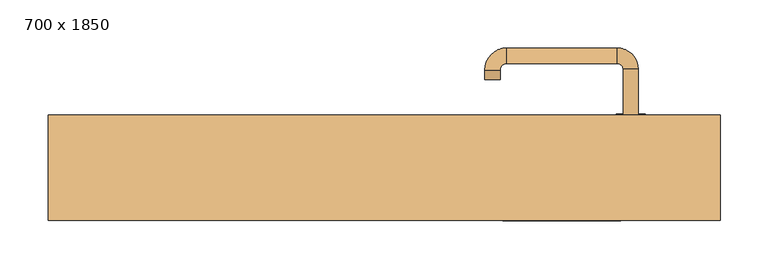
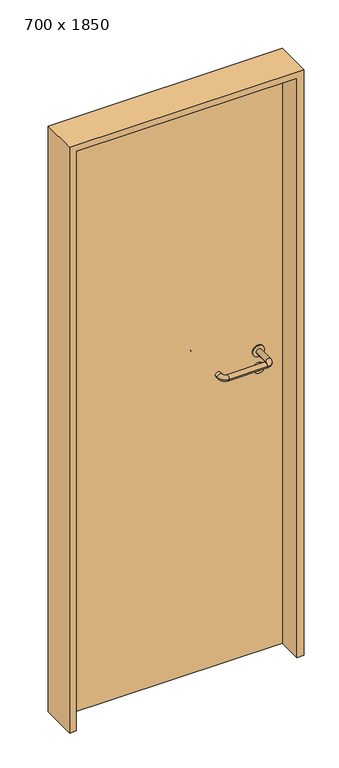
"""IFC4 building model written with IfcOpenShell, lengths in millimetres: door geometry, 700 x 1850."""

import ifcopenshell
import ifcopenshell.guid

model = None  # the IFC model being written
_history = None  # IfcOwnerHistory: only IFC2X3 demands one
_inside = {}  # id of a spatial element -> (the spatial element, [elements in it])
_under = {}  # id of a project, library or spatial element -> (it, [spatial elements below it])
_declared = {}  # id of a project -> (the project, [libraries it declares])
_typed = {}  # id of a type object -> (the type object, [elements of that type])
_made_of = {}  # id of a material, layer set ... -> (it, [elements and type objects made of it])


def new_model(schema):
    """Start an empty IFC model of exactly this schema.

    Asked for "IFC4X3", IfcOpenShell would pick the latest addendum, in which some entities
    have other attributes; the version numbers below select the first issue.
    IFC2X3 requires an IfcOwnerHistory on every rooted entity: one is made here for all.
    """
    global model, _history
    if schema == "IFC4X3":
        model = ifcopenshell.file(schema_version=(4, 3, 0, 0))
    else:
        model = ifcopenshell.file(schema=schema)
    _inside.clear()
    _under.clear()
    _declared.clear()
    _typed.clear()
    _made_of.clear()
    _history = None
    if model.schema == "IFC2X3":
        org = make("IfcOrganization", Name="unknown")
        user = make(
            "IfcPersonAndOrganization",
            ThePerson=make("IfcPerson", FamilyName="unknown"),
            TheOrganization=org,
        )
        app = make(
            "IfcApplication",
            ApplicationDeveloper=org,
            Version="unknown",
            ApplicationFullName="unknown",
            ApplicationIdentifier="unknown",
        )
        _history = make(
            "IfcOwnerHistory",
            OwningUser=user,
            OwningApplication=app,
            ChangeAction="ADDED",
            CreationDate=0,
        )
    return model


def make(cls, **values):
    """One entity of the class cls with the attributes given. An attribute that is None is left unset."""
    return model.create_entity(
        cls, **{name: value for name, value in values.items() if value is not None}
    )


def rooted(cls, **values):
    """An entity with a GlobalId (a new one), such as an element, a storey or a relation."""
    return make(cls, GlobalId=ifcopenshell.guid.new(), OwnerHistory=_history, **values)


def si_unit(unit_type, name, prefix=None):
    """IfcSIUnit, for example si_unit("LENGTHUNIT", "METRE", prefix="MILLI")."""
    return make("IfcSIUnit", UnitType=unit_type, Prefix=prefix, Name=name)


def assignment(units):
    """IfcUnitAssignment: the units of a project."""
    return None if units is None else make("IfcUnitAssignment", Units=units)


def point(xyz):
    """IfcCartesianPoint."""
    return None if xyz is None else make("IfcCartesianPoint", Coordinates=xyz)


def direction(xyz):
    """IfcDirection."""
    return None if xyz is None else make("IfcDirection", DirectionRatios=xyz)


def frame(location, z_axis=None, x_axis=None):
    """IfcAxis2Placement3D, a coordinate frame: its origin and axes. An axis left out is left unset."""
    return make(
        "IfcAxis2Placement3D",
        Location=point(location),
        Axis=direction(z_axis),
        RefDirection=direction(x_axis),
    )


def frame_2d(location, x_axis=None):
    """IfcAxis2Placement2D, a coordinate frame in the plane: its origin and x axis."""
    return make(
        "IfcAxis2Placement2D", Location=point(location), RefDirection=direction(x_axis)
    )


def origin():
    """The frame at (0, 0, 0) with its axes left unset."""
    return frame((0.0, 0.0, 0.0))


def origin_with_axes():
    """The frame at (0, 0, 0) with the z axis (0, 0, 1) and the x axis (1, 0, 0) written out."""
    return frame((0.0, 0.0, 0.0), z_axis=(0.0, 0.0, 1.0), x_axis=(1.0, 0.0, 0.0))


def place(relative_to, where):
    """IfcLocalPlacement: puts the frame where relative to a parent placement (None: the world)."""
    return make(
        "IfcLocalPlacement", PlacementRelTo=relative_to, RelativePlacement=where
    )


def context(
    kind, dimensions, precision=None, world=None, true_north=None, identifier=None
):
    """IfcGeometricRepresentationContext, for example the 3D "Model" context."""
    return make(
        "IfcGeometricRepresentationContext",
        ContextIdentifier=identifier,
        ContextType=kind,
        CoordinateSpaceDimension=dimensions,
        Precision=precision,
        WorldCoordinateSystem=world,
        TrueNorth=true_north,
    )


def project(units=None, contexts=None):
    """IfcProject with its units and contexts."""
    return rooted(
        "IfcProject",
        Name="project",
        RepresentationContexts=contexts,
        UnitsInContext=assignment(units),
    )


def spatial(cls, under=None, at=None, **own):
    """A site, building, storey or space (cls), placed at a placement, below another one or the project."""
    s = rooted(cls, ObjectPlacement=at, **own)
    if under is not None:
        _under.setdefault(under.id(), (under, []))[1].append(s)
    return s


def polyline(points):
    """IfcPolyline through the points."""
    return make("IfcPolyline", Points=[point(p) for p in points])


def circle_curve(where, radius):
    """IfcCircle in the frame where."""
    return make("IfcCircle", Position=where, Radius=radius)


def ellipse_curve(where, semi_axis1, semi_axis2):
    """IfcEllipse in the frame where."""
    return make(
        "IfcEllipse", Position=where, SemiAxis1=semi_axis1, SemiAxis2=semi_axis2
    )


def trimmed(basis, trim1, trim2, sense, master):
    """IfcTrimmedCurve: the piece of a basis curve between two trims."""
    return make(
        "IfcTrimmedCurve",
        BasisCurve=basis,
        Trim1=trim1,
        Trim2=trim2,
        SenseAgreement=sense,
        MasterRepresentation=master,
    )


def segment(curve, same_sense, transition):
    """IfcCompositeCurveSegment."""
    return make(
        "IfcCompositeCurveSegment",
        Transition=transition,
        SameSense=same_sense,
        ParentCurve=curve,
    )


def composite_curve(segments, self_intersect=None):
    """IfcCompositeCurve: segments joined end to end."""
    return make("IfcCompositeCurve", Segments=segments, SelfIntersect=self_intersect)


def outline(outer, holes=None, kind="AREA"):
    """IfcArbitraryClosedProfileDef: a profile drawn as a closed curve; with holes, ...WithVoids."""
    if holes is None:
        return make("IfcArbitraryClosedProfileDef", ProfileType=kind, OuterCurve=outer)
    return make(
        "IfcArbitraryProfileDefWithVoids",
        ProfileType=kind,
        OuterCurve=outer,
        InnerCurves=holes,
    )


def extrude(swept, where, along, depth):
    """IfcExtrudedAreaSolid: the profile swept, set in the frame where, extruded along a direction by depth."""
    return make(
        "IfcExtrudedAreaSolid",
        SweptArea=swept,
        Position=where,
        ExtrudedDirection=direction(along),
        Depth=depth,
    )


def shape(context_of_items, identifier, shape_type, items):
    """IfcShapeRepresentation: the items that make up one representation, for example the "Body"."""
    return make(
        "IfcShapeRepresentation",
        ContextOfItems=context_of_items,
        RepresentationIdentifier=identifier,
        RepresentationType=shape_type,
        Items=items,
    )


def source(mapping_origin, context_of_items, identifier, shape_type, items):
    """IfcRepresentationMap: a shape defined once, which mapped items show again and again."""
    return make(
        "IfcRepresentationMap",
        MappingOrigin=mapping_origin,
        MappedRepresentation=shape(context_of_items, identifier, shape_type, items),
    )


def transform(
    local_origin,
    x_axis=None,
    y_axis=None,
    z_axis=None,
    scale=None,
    scale2=None,
    scale3=None,
    uniform=True,
):
    """IfcCartesianTransformationOperator3D, or its non-uniform kind. x_axis, y_axis, z_axis: its Axis1, 2, 3."""
    if uniform:
        return make(
            "IfcCartesianTransformationOperator3D",
            Axis1=direction(x_axis),
            Axis2=direction(y_axis),
            LocalOrigin=point(local_origin),
            Scale=scale,
            Axis3=direction(z_axis),
        )
    return make(
        "IfcCartesianTransformationOperator3DnonUniform",
        Axis1=direction(x_axis),
        Axis2=direction(y_axis),
        LocalOrigin=point(local_origin),
        Scale=scale,
        Axis3=direction(z_axis),
        Scale2=scale2,
        Scale3=scale3,
    )


def mapped(mapping_source, mapping_target):
    """IfcMappedItem: shows the shape of a source again, moved by a transform."""
    return make(
        "IfcMappedItem", MappingSource=mapping_source, MappingTarget=mapping_target
    )


def made_of(thing, what):
    """Note that an element or type object is made of a material, layer set ...; save() writes the relation."""
    if what is not None:
        _made_of.setdefault(what.id(), (what, []))[1].append(thing)
    return thing


def element(
    cls,
    number,
    at=None,
    inside=None,
    cuts=None,
    type_object=None,
    material=None,
    context=None,
    identifier="Body",
    shape_type=None,
    held_by="IfcProductDefinitionShape",
    body=None,
    shapes=None,
    **own,
):
    """One element of the class cls, such as IfcWall. Its Tag is "e" and its number.

    at: its placement. inside: the storey or other place that contains it. cuts: it is an
    opening in that element (IfcRelVoidsElement). A single representation is given by context,
    identifier, shape_type and body (its items); several are given by shapes. held_by: the class
    of the entity that holds the representations. save() writes the other relations.
    """
    e = rooted(cls, Tag="e%d" % number, ObjectPlacement=at, **own)
    if body is not None:
        shapes = [shape(context, identifier, shape_type, body)]
    if shapes is not None:
        e.Representation = make(held_by, Representations=shapes)
    if inside is not None:
        _inside.setdefault(inside.id(), (inside, []))[1].append(e)
    if cuts is not None:
        rooted(
            "IfcRelVoidsElement", RelatingBuildingElement=cuts, RelatedOpeningElement=e
        )
    if type_object is not None:
        _typed.setdefault(type_object.id(), (type_object, []))[1].append(e)
    return made_of(e, material)


def aggregate(whole, parts):
    """IfcRelAggregates: a whole, such as a stair, and the parts it consists of."""
    return rooted("IfcRelAggregates", RelatingObject=whole, RelatedObjects=parts)


def save(model, path):
    """Write the relations noted so far, then the file.

    IfcRelAggregates (storeys below a building ...), IfcRelContainedInSpatialStructure (elements
    in a storey), IfcRelDefinesByType, IfcRelAssociatesMaterial and IfcRelDeclares: one each for
    every whole, place, type object, material and project.
    """
    for whole, parts in _under.values():
        aggregate(whole, parts)
    for where, things in _inside.values():
        rooted(
            "IfcRelContainedInSpatialStructure",
            RelatedElements=things,
            RelatingStructure=where,
        )
    for kind, things in _typed.values():
        rooted("IfcRelDefinesByType", RelatedObjects=things, RelatingType=kind)
    for what, things in _made_of.values():
        rooted("IfcRelAssociatesMaterial", RelatedObjects=things, RelatingMaterial=what)
    for by, libraries in _declared.values():
        rooted("IfcRelDeclares", RelatingContext=by, RelatedDefinitions=libraries)
    model.write(path)


def plane_surface(at):
    """IfcPlane: the flat surface through the origin of the frame at, square to its z axis."""
    return make("IfcPlane", Position=at)


def cylinder_surface(at, radius):
    """IfcCylindricalSurface: all points at the distance radius from the z axis of the frame at."""
    return make("IfcCylindricalSurface", Position=at, Radius=radius)


def revolved_surface(curve, axis_point, axis_direction):
    """IfcSurfaceOfRevolution: the curve turned about the line through axis_point along axis_direction."""
    return make(
        "IfcSurfaceOfRevolution",
        SweptCurve=make("IfcArbitraryOpenProfileDef", ProfileType="CURVE", Curve=curve),
        AxisPosition=make("IfcAxis1Placement", Location=point(axis_point), Axis=direction(axis_direction)),
    )


def advanced_brep(points, edges, surfaces, faces):
    """IfcAdvancedBrep: a solid bounded by faces that lie on surfaces and meet in shared edges.

    An edge is (start, end): straight between two places in points (the first is 0);
    or (start, end, curve); or (start, end, curve, False) where it runs against its curve.
    A face is (place in surfaces, loops), or (place, loops, False) where it looks against
    its surface's normal. A loop lists edges by number (the first is 1), with a minus sign
    where the edge is run from its end to its start. The first loop is the outer one.
    """
    corners = [point(p) for p in points]
    vertices = [make("IfcVertexPoint", VertexGeometry=c) for c in corners]
    made = []
    for start, end, *more in edges:
        made.append(
            make(
                "IfcEdgeCurve",
                EdgeStart=vertices[start],
                EdgeEnd=vertices[end],
                EdgeGeometry=more[0] if more else make("IfcPolyline", Points=[corners[start], corners[end]]),
                SameSense=more[1] if len(more) > 1 else True,
            )
        )
    hull = []
    for where, loops, *sense in faces:
        bounds = []
        for j, loop in enumerate(loops):
            ring = [make("IfcOrientedEdge", EdgeElement=made[abs(k) - 1], Orientation=k > 0) for k in loop]
            bounds.append(
                make(
                    "IfcFaceOuterBound" if j == 0 else "IfcFaceBound",
                    Bound=make("IfcEdgeLoop", EdgeList=ring),
                    Orientation=True,
                )
            )
        hull.append(make("IfcAdvancedFace", Bounds=bounds, FaceSurface=surfaces[where], SameSense=sense[0] if sense else True))
    return make("IfcAdvancedBrep", Outer=make("IfcClosedShell", CfsFaces=hull))


def door_700_x_1850_52e03b72(model_context):
    return source(origin(), model_context, "Body", "SolidModel", [
        extrude(outline(composite_curve([segment(trimmed(circle_curve(frame_2d((897.3605726, 257.0)), 15.0), [point((897.3605726, 272.0))], [point((897.3605726, 242.0))], False, "CARTESIAN"), True, "CONTINUOUS"), segment(trimmed(circle_curve(frame_2d((897.3605726, 257.0)), 15.0), [point((897.3605726, 242.0))], [point((897.3605726, 272.0))], False, "CARTESIAN"), True, "CONTINUOUS")], self_intersect=False), holes=[composite_curve([segment(trimmed(circle_curve(frame_2d((892.5833211, 256.9398032)), 2.0), [point((892.5833211, 258.9398032))], [point((892.5833211, 254.9398032))], True, "CARTESIAN"), True, "CONTINUOUS"), segment(polyline([(892.5833211, 254.9398032), (902.5833211, 254.9398032)]), True, "CONTINUOUS"), segment(trimmed(circle_curve(frame_2d((902.5833211, 256.9398032)), 2.0), [point((902.5833211, 254.9398032))], [point((902.5833211, 258.9398032))], True, "CARTESIAN"), True, "CONTINUOUS"), segment(polyline([(902.5833211, 258.9398032), (892.5833211, 258.9398032)]), True, "CONTINUOUS")], self_intersect=False)]), frame((0.0, 18.65, 0.0), z_axis=(0.0, 1.0, 0.0), x_axis=(0.0, 0.0, 1.0)), (0.0, 0.0, 1.0), 6.35),
        extrude(outline(composite_curve([segment(trimmed(circle_curve(frame_2d((950.0, 257.0)), 17.526), [point((950.0, 274.526))], [point((950.0, 239.474))], False, "CARTESIAN"), True, "CONTINUOUS"), segment(trimmed(circle_curve(frame_2d((950.0, 257.0)), 17.526), [point((950.0, 239.474))], [point((950.0, 274.526))], False, "CARTESIAN"), True, "CONTINUOUS")], self_intersect=False)), frame((0.0, 21.825, 0.0), z_axis=(0.0, 1.0, 0.0), x_axis=(0.0, 0.0, 1.0)), (0.0, 0.0, 1.0), 3.175),
        advanced_brep(
        [(265.0, 25.0, 950.0), (249.0, 25.0, 950.0), (249.0, -28.0, 950.0), (265.0, -28.0, 950.0), (242.8578644, -34.1421356, 950.0), (242.8578644, -50.1421356, 950.0), (127.8578644, -34.1421356, 950.0), (127.8578644, -50.1421356, 950.0), (121.008622, -27.2928932, 950.0), (105.008622, -27.2928932, 950.0), (105.008622, -17.2928932, 950.0), (121.008622, -17.2928932, 950.0)],
        [
            (0, 1, circle_curve(frame((257.0, 25.0, 950.0), z_axis=(0.0, 1.0, 0.0), x_axis=(-1.0, 0.0, 0.0)), 8.0)),
            (1, 0, circle_curve(frame((257.0, 25.0, 950.0), z_axis=(0.0, 1.0, 0.0), x_axis=(-1.0, 0.0, 0.0)), 8.0)),
            (1, 2),
            (2, 3, circle_curve(frame((257.0, -28.0, 950.0), z_axis=(0.0, 1.0, 0.0), x_axis=(-1.0, 0.0, 0.0)), 8.0)),
            (3, 0),
            (3, 2, circle_curve(frame((257.0, -28.0, 950.0), z_axis=(0.0, 1.0, 0.0), x_axis=(-1.0, 0.0, 0.0)), 8.0)),
            (4, 5, circle_curve(frame((242.8578644, -42.1421356, 950.0), z_axis=(1.0, 0.0, 0.0), x_axis=(0.0, 1.0, 0.0)), 8.0)),
            (5, 3, circle_curve(frame((242.8578644, -28.0, 950.0), z_axis=(0.0, 0.0, 1.0), x_axis=(1.0, 0.0, 0.0)), 22.1421356)),
            (2, 4, circle_curve(frame((242.8578644, -28.0, 950.0), z_axis=(0.0, 0.0, -1.0), x_axis=(1.0, 0.0, 0.0)), 6.1421356)),
            (5, 4, circle_curve(frame((242.8578644, -42.1421356, 950.0), z_axis=(1.0, 0.0, 0.0), x_axis=(0.0, 1.0, 0.0)), 8.0)),
            (4, 6),
            (6, 7, circle_curve(frame((127.8578644, -42.1421356, 950.0), z_axis=(1.0, 0.0, 0.0), x_axis=(0.0, 1.0, 0.0)), 8.0)),
            (7, 5),
            (7, 6, circle_curve(frame((127.8578644, -42.1421356, 950.0), z_axis=(1.0, 0.0, 0.0), x_axis=(0.0, 1.0, 0.0)), 8.0)),
            (8, 9, circle_curve(frame((113.008622, -27.2928932, 950.0), z_axis=(0.0, -1.0, 0.0), x_axis=(1.0, 0.0, 0.0)), 8.0)),
            (9, 7, circle_curve(frame((127.8578644, -27.2928932, 950.0), z_axis=(0.0, 0.0, 1.0), x_axis=(0.0, -1.0, 0.0)), 22.8492424)),
            (6, 8, circle_curve(frame((127.8578644, -27.2928932, 950.0), z_axis=(0.0, 0.0, -1.0), x_axis=(0.0, -1.0, 0.0)), 6.8492424)),
            (9, 8, circle_curve(frame((113.008622, -27.2928932, 950.0), z_axis=(0.0, -1.0, 0.0), x_axis=(1.0, 0.0, 0.0)), 8.0)),
            (10, 11, circle_curve(frame((113.008622, -17.2928932, 950.0), z_axis=(0.0, 1.0, 0.0), x_axis=(1.0, 0.0, 0.0)), 8.0)),
            (11, 10, circle_curve(frame((113.008622, -17.2928932, 950.0), z_axis=(0.0, 1.0, 0.0), x_axis=(1.0, 0.0, 0.0)), 8.0)),
            (8, 11),
            (10, 9),
        ],
        [
            plane_surface(frame((257.0, 25.0, 0.0), z_axis=(0.0, 1.0, 0.0), x_axis=(0.0, 0.0, 1.0))),
            cylinder_surface(frame((257.0, 25.0, 950.0), z_axis=(0.0, 1.0, 0.0), x_axis=(-1.0, 0.0, 0.0)), 8.0),
            revolved_surface(trimmed(ellipse_curve(frame((257.0, -28.0, 950.0), z_axis=(0.0, -1.0, 0.0), x_axis=(-1.0, 0.0, 0.0)), 8.0, 8.0), [point((265.0, -28.0, 950.0))], [point((249.0, -28.0, 950.0))], True, "CARTESIAN"), (242.8578644, -28.0, 0.0), (0.0, 0.0, 1.0)),
            revolved_surface(trimmed(ellipse_curve(frame((257.0, -28.0, 950.0), z_axis=(0.0, -1.0, 0.0), x_axis=(-1.0, 0.0, 0.0)), 8.0, 8.0), [point((249.0, -28.0, 950.0))], [point((265.0, -28.0, 950.0))], True, "CARTESIAN"), (242.8578644, -28.0, 0.0), (0.0, 0.0, 1.0)),
            cylinder_surface(frame((242.8578644, -42.1421356, 950.0), z_axis=(1.0, 0.0, 0.0), x_axis=(0.0, 1.0, 0.0)), 8.0),
            revolved_surface(trimmed(ellipse_curve(frame((127.8578644, -42.1421356, 950.0), z_axis=(-1.0, 0.0, 0.0), x_axis=(0.0, 1.0, 0.0)), 8.0, 8.0), [point((127.8578644, -50.1421356, 950.0))], [point((127.8578644, -34.1421356, 950.0))], True, "CARTESIAN"), (127.8578644, -27.2928932, 0.0), (0.0, 0.0, 1.0)),
            revolved_surface(trimmed(ellipse_curve(frame((127.8578644, -42.1421356, 950.0), z_axis=(-1.0, 0.0, 0.0), x_axis=(0.0, 1.0, 0.0)), 8.0, 8.0), [point((127.8578644, -34.1421356, 950.0))], [point((127.8578644, -50.1421356, 950.0))], True, "CARTESIAN"), (127.8578644, -27.2928932, 0.0), (0.0, 0.0, 1.0)),
            plane_surface(frame((113.008622, -17.2928932, 0.0), z_axis=(0.0, 1.0, 0.0), x_axis=(0.0, 0.0, 1.0))),
            cylinder_surface(frame((113.008622, -27.2928932, 950.0), z_axis=(0.0, -1.0, 0.0), x_axis=(1.0, 0.0, 0.0)), 8.0),
        ],
        [
            (0, [[1, 2]]),
            (1, [[3, 4, 5, -2]]),
            (1, [[-5, 6, -3, -1]]),
            (2, [[7, 8, -4, 9]]),
            (3, [[10, -9, -6, -8]]),
            (4, [[11, 12, 13, -7]]),
            (4, [[-13, 14, -11, -10]]),
            (5, [[15, 16, -12, 17]]),
            (6, [[18, -17, -14, -16]]),
            (7, [[19, 20]]),
            (8, [[21, -19, 22, -15]]),
            (8, [[-22, -20, -21, -18]]),
        ],
    ),
        extrude(outline(composite_curve([segment(trimmed(circle_curve(frame_2d((0.0, -15.0)), 15.0), [point((0.0, -30.0))], [point((0.0, 0.0))], False, "CARTESIAN"), True, "CONTINUOUS"), segment(trimmed(circle_curve(frame_2d((0.0, -15.0)), 15.0), [point((0.0, 0.0))], [point((0.0, -30.0))], False, "CARTESIAN"), True, "CONTINUOUS")], self_intersect=False), holes=[composite_curve([segment(trimmed(circle_curve(frame_2d((4.7772515, -14.9398032)), 2.0), [point((4.7772515, -16.9398032))], [point((4.7772515, -12.9398032))], True, "CARTESIAN"), True, "CONTINUOUS"), segment(polyline([(4.7772515, -12.9398032), (-5.2227485, -12.9398032)]), True, "CONTINUOUS"), segment(trimmed(circle_curve(frame_2d((-5.2227485, -14.9398032)), 2.0), [point((-5.2227485, -12.9398032))], [point((-5.2227485, -16.9398032))], True, "CARTESIAN"), True, "CONTINUOUS"), segment(polyline([(-5.2227485, -16.9398032), (4.7772515, -16.9398032)]), True, "CONTINUOUS")], self_intersect=False)]), frame((242.0, 55.0, 897.3605726), z_axis=(1.8870575173328306e-12, 1.0, 0.0), x_axis=(0.0, 0.0, -1.0)), (0.0, 0.0, 1.0), 6.35),
        extrude(outline(composite_curve([segment(trimmed(circle_curve(frame_2d((0.0, -17.526)), 17.526), [point((0.0, -35.052))], [point((0.0, 0.0))], False, "CARTESIAN"), True, "CONTINUOUS"), segment(trimmed(circle_curve(frame_2d((0.0, -17.526)), 17.526), [point((0.0, 0.0))], [point((0.0, -35.052))], False, "CARTESIAN"), True, "CONTINUOUS")], self_intersect=False)), frame((239.474, 55.0, 950.0), z_axis=(1.8870575173328306e-12, 1.0, 0.0), x_axis=(0.0, 0.0, -1.0)), (0.0, 0.0, 1.0), 3.175),
        advanced_brep(
        [(265.0, 55.0, 950.0), (249.0, 55.0, 950.0), (265.0, 108.0, 950.0), (249.0, 108.0, 950.0), (242.8578644, 114.1421356, 950.0), (242.8578644, 130.1421356, 950.0), (127.8578644, 130.1421356, 950.0), (127.8578644, 114.1421356, 950.0), (121.008622, 107.2928932, 950.0), (105.008622, 107.2928932, 950.0), (105.008622, 97.2928932, 950.0), (121.008622, 97.2928932, 950.0)],
        [
            (0, 1, circle_curve(frame((257.0, 55.0, 950.0), z_axis=(-1.888672253512351e-12, -1.0, 0.0), x_axis=(-1.0, 1.888672253512351e-12, 0.0)), 8.0)),
            (1, 0, circle_curve(frame((257.0, 55.0, 950.0), z_axis=(-1.888672253512351e-12, -1.0, 0.0), x_axis=(-1.0, 1.888672253512351e-12, 0.0)), 8.0)),
            (0, 2),
            (2, 3, circle_curve(frame((257.0, 108.0, 950.0), z_axis=(-1.888672253512351e-12, -1.0, 0.0), x_axis=(-1.0, 1.888672253512351e-12, 0.0)), 8.0)),
            (3, 1),
            (3, 2, circle_curve(frame((257.0, 108.0, 950.0), z_axis=(-1.888672253512351e-12, -1.0, 0.0), x_axis=(-1.0, 1.888672253512351e-12, 0.0)), 8.0)),
            (4, 3, circle_curve(frame((242.8578644, 108.0, 950.0), z_axis=(0.0, 0.0, -1.0), x_axis=(1.0, -1.880717803715015e-12, 0.0)), 6.1421356)),
            (2, 5, circle_curve(frame((242.8578644, 108.0, 950.0), z_axis=(0.0, 0.0, 1.0), x_axis=(1.0, -1.880717803715015e-12, 0.0)), 22.1421356)),
            (5, 4, circle_curve(frame((242.8578644, 122.1421356, 950.0), z_axis=(1.0, -1.913702061528922e-12, 0.0), x_axis=(-1.913702061528922e-12, -1.0, 0.0)), 8.0)),
            (4, 5, circle_curve(frame((242.8578644, 122.1421356, 950.0), z_axis=(1.0, -1.913702061528922e-12, 0.0), x_axis=(-1.913702061528922e-12, -1.0, 0.0)), 8.0)),
            (5, 6),
            (6, 7, circle_curve(frame((127.8578644, 122.1421356, 950.0), z_axis=(1.0, -1.913719828541269e-12, 0.0), x_axis=(-1.913719828541269e-12, -1.0, 0.0)), 8.0)),
            (7, 4),
            (7, 6, circle_curve(frame((127.8578644, 122.1421356, 950.0), z_axis=(1.0, -1.913719828541269e-12, 0.0), x_axis=(-1.913719828541269e-12, -1.0, 0.0)), 8.0)),
            (8, 7, circle_curve(frame((127.8578644, 107.2928932, 950.0), z_axis=(0.0, 0.0, -1.0), x_axis=(1.9120873253494017e-12, 1.0, 0.0)), 6.8492424)),
            (6, 9, circle_curve(frame((127.8578644, 107.2928932, 950.0), z_axis=(0.0, 0.0, 1.0), x_axis=(1.9120873253494017e-12, 1.0, 0.0)), 22.8492424)),
            (9, 8, circle_curve(frame((113.008622, 107.2928932, 950.0), z_axis=(1.890448610351751e-12, 1.0, 0.0), x_axis=(1.0, -1.890448610351751e-12, 0.0)), 8.0)),
            (8, 9, circle_curve(frame((113.008622, 107.2928932, 950.0), z_axis=(1.8888942981172756e-12, 1.0, 0.0), x_axis=(1.0, -1.8888942981172756e-12, 0.0)), 8.0)),
            (10, 11, circle_curve(frame((113.008622, 97.2928932, 950.0), z_axis=(-1.8903642334018795e-12, -1.0, 0.0), x_axis=(1.0, -1.8903642334018795e-12, 0.0)), 8.0)),
            (11, 10, circle_curve(frame((113.008622, 97.2928932, 950.0), z_axis=(-1.8903642334018795e-12, -1.0, 0.0), x_axis=(1.0, -1.8903642334018795e-12, 0.0)), 8.0)),
            (9, 10),
            (11, 8),
        ],
        [
            plane_surface(frame((257.0, 55.0, 0.0), z_axis=(-1.8870575173328306e-12, -1.0, 0.0), x_axis=(0.0, 0.0, 1.0))),
            cylinder_surface(frame((257.0, 55.0, 950.0), z_axis=(-1.888672253512351e-12, -1.0, 0.0), x_axis=(-1.0, 1.888672253512351e-12, 0.0)), 8.0),
            revolved_surface(trimmed(ellipse_curve(frame((257.0, 108.0, 950.0), z_axis=(-1.8823325398945356e-12, -1.0, 0.0), x_axis=(-1.0, 1.8823325398945356e-12, 0.0)), 8.0, 8.0), [point((265.0, 108.0, 950.0))], [point((249.0, 108.0, 950.0))], True, "CARTESIAN"), (242.8578644, 108.0, 0.0), (0.0, 0.0, 1.0)),
            revolved_surface(trimmed(ellipse_curve(frame((257.0, 108.0, 950.0), z_axis=(-1.8823325398945356e-12, -1.0, 0.0), x_axis=(-1.0, 1.8823325398945356e-12, 0.0)), 8.0, 8.0), [point((249.0, 108.0, 950.0))], [point((265.0, 108.0, 950.0))], True, "CARTESIAN"), (242.8578644, 108.0, 0.0), (0.0, 0.0, 1.0)),
            cylinder_surface(frame((242.8578644, 122.1421356, 950.0), z_axis=(1.0, -1.913719828541269e-12, 0.0), x_axis=(-1.913719828541269e-12, -1.0, 0.0)), 8.0),
            revolved_surface(trimmed(ellipse_curve(frame((127.8578644, 122.1421356, 950.0), z_axis=(1.0, -1.913702061528922e-12, 0.0), x_axis=(-1.913702061528922e-12, -1.0, 0.0)), 8.0, 8.0), [point((127.8578644, 130.1421356, 950.0))], [point((127.8578644, 114.1421356, 950.0))], True, "CARTESIAN"), (127.8578644, 107.2928932, 0.0), (0.0, 0.0, 1.0)),
            revolved_surface(trimmed(ellipse_curve(frame((127.8578644, 122.1421356, 950.0), z_axis=(1.0, -1.913702061528922e-12, 0.0), x_axis=(-1.913702061528922e-12, -1.0, 0.0)), 8.0, 8.0), [point((127.8578644, 114.1421356, 950.0))], [point((127.8578644, 130.1421356, 950.0))], True, "CARTESIAN"), (127.8578644, 107.2928932, 0.0), (0.0, 0.0, 1.0)),
            plane_surface(frame((113.008622, 97.2928932, 0.0), z_axis=(-1.8887494972223595e-12, -1.0, 0.0), x_axis=(0.0, 0.0, 1.0))),
            cylinder_surface(frame((113.008622, 107.2928932, 950.0), z_axis=(1.8903642334018795e-12, 1.0, 0.0), x_axis=(1.0, -1.8903642334018795e-12, 0.0)), 8.0),
        ],
        [
            (0, [[1, 2]]),
            (1, [[-1, 3, 4, 5]]),
            (1, [[-2, -5, 6, -3]]),
            (2, [[7, -4, 8, 9]]),
            (3, [[-8, -6, -7, 10]]),
            (4, [[-9, 11, 12, 13]]),
            (4, [[-10, -13, 14, -11]]),
            (5, [[15, -12, 16, 17]]),
            (6, [[-16, -14, -15, 18]]),
            (7, [[19, 20]]),
            (8, [[-17, 21, -20, 22]]),
            (8, [[-18, -22, -19, -21]]),
        ],
    ),
        extrude(outline(polyline([(1830.0, 330.0), (0.0, 330.0), (0.0, 350.0), (1850.0, 350.0), (1850.0, -350.0), (0.0, -350.0), (0.0, -330.0), (1830.0, -330.0), (1830.0, 330.0)])), frame((0.0, -50.0, 0.0), z_axis=(0.0, 1.0, 0.0), x_axis=(0.0, 0.0, 1.0)), (0.0, 0.0, 1.0), 110.0),
        extrude(outline(polyline([(-330.0, 55.0), (330.0, 55.0), (330.0, 25.0), (-330.0, 25.0), (-330.0, 55.0)])), origin_with_axes(), (0.0, 0.0, 1.0), 1830.0),
    ])


if __name__ == "__main__":
    model = new_model("IFC4")
    model_context = context("Model", 3, world=origin())
    ifc_project = project(units=[si_unit("LENGTHUNIT", "METRE", prefix="MILLI")], contexts=[model_context])
    site = spatial("IfcSite", under=ifc_project)
    building = spatial("IfcBuilding", under=site)
    placement = place(None, origin())
    door_700_x_1850_shape = door_700_x_1850_52e03b72(model_context)
    element("IfcDoor", 1, ObjectType="700 x 1850", at=placement, inside=building, context=model_context, shape_type="MappedRepresentation", body=[
        mapped(door_700_x_1850_shape, transform((0.0, 0.0, 0.0), x_axis=(1.0, 0.0, 0.0), y_axis=(0.0, 1.0, 0.0), z_axis=(0.0, 0.0, 1.0))),
    ])
    save(model, "model.ifc")
